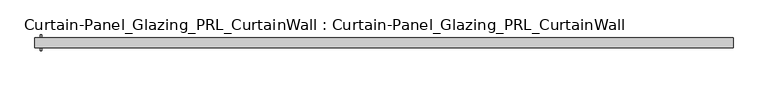
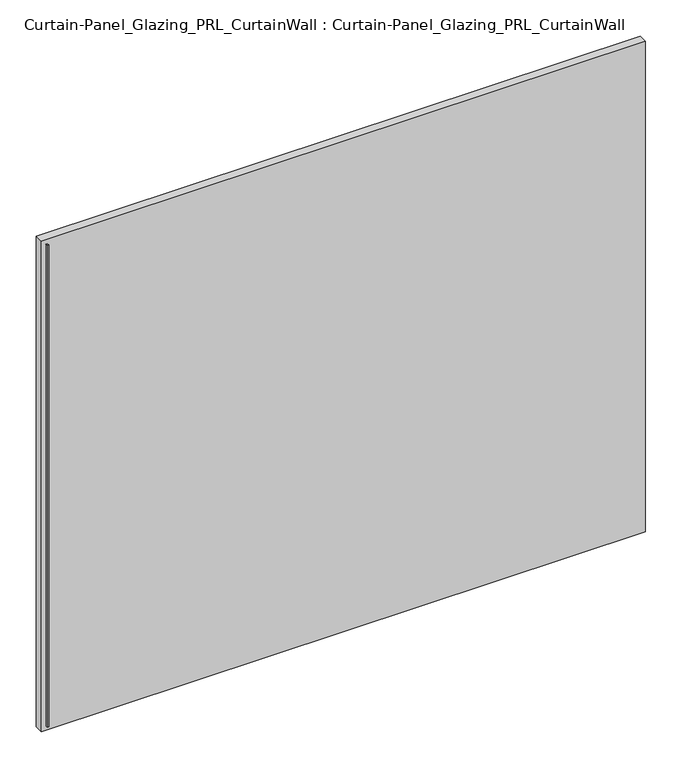
"""IFC4 building model written with IfcOpenShell, lengths in millimetres: plate geometry, Curtain-Panel_Glazing_PRL_CurtainWall : Curtain-Panel_Glazing_PRL_CurtainWall."""

from ifc_helpers import new_model, si_unit, frame, origin, origin_with_axes, place, context, project, spatial, polyline, outline, extrude, source, transform, mapped, element, save


def curtain_panel_glazing_prl_curtainwall_curtain_panel_glazing_a12b78e0(model_context):
    return source(origin(), model_context, "Body", "SweptSolid", [
        extrude(outline(polyline([(-838.99375, -19.05), (-838.99375, -12.7), (-835.025, -12.7), (-835.025, -19.05), (-838.99375, -19.05)])), frame((0.0, 0.0, 12.7), z_axis=(0.0, 0.0, 1.0), x_axis=(1.0, 0.0, 0.0)), (0.0, 0.0, 1.0), 1436.6875),
        extrude(outline(polyline([(-838.99375, 19.05), (-835.025, 19.05), (-835.025, 12.7), (-838.99375, 12.7), (-838.99375, 19.05)])), frame((0.0, 0.0, 12.7), z_axis=(0.0, 0.0, 1.0), x_axis=(1.0, 0.0, 0.0)), (0.0, 0.0, 1.0), 1436.6875),
        extrude(outline(polyline([(851.69375, 12.7), (851.69375, -12.7), (-851.69375, -12.7), (-851.69375, 12.7), (851.69375, 12.7)])), origin_with_axes(), (0.0, 0.0, 1.0), 1462.0875),
    ])


if __name__ == "__main__":
    model = new_model("IFC4")
    model_context = context("Model", 3, world=origin())
    ifc_project = project(units=[si_unit("LENGTHUNIT", "METRE", prefix="MILLI")], contexts=[model_context])
    site = spatial("IfcSite", under=ifc_project)
    building = spatial("IfcBuilding", under=site)
    placement = place(None, origin())
    curtain_panel_glazing_prl_curtainwall_curtain_panel_glazing_shape = curtain_panel_glazing_prl_curtainwall_curtain_panel_glazing_a12b78e0(model_context)
    element("IfcPlate", 1, ObjectType="Curtain-Panel_Glazing_PRL_CurtainWall : Curtain-Panel_Glazing_PRL_CurtainWall", at=placement, inside=building, context=model_context, shape_type="MappedRepresentation", body=[
        mapped(curtain_panel_glazing_prl_curtainwall_curtain_panel_glazing_shape, transform((0.0, 0.0, 0.0), x_axis=(1.0, 0.0, 0.0), y_axis=(0.0, 1.0, 0.0), z_axis=(0.0, 0.0, 1.0))),
    ])
    save(model, "model.ifc")
